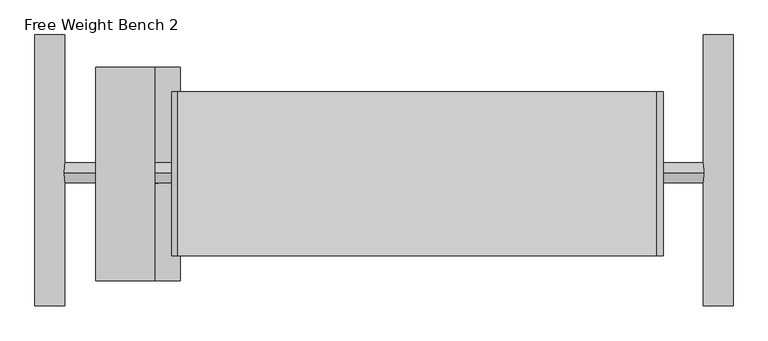
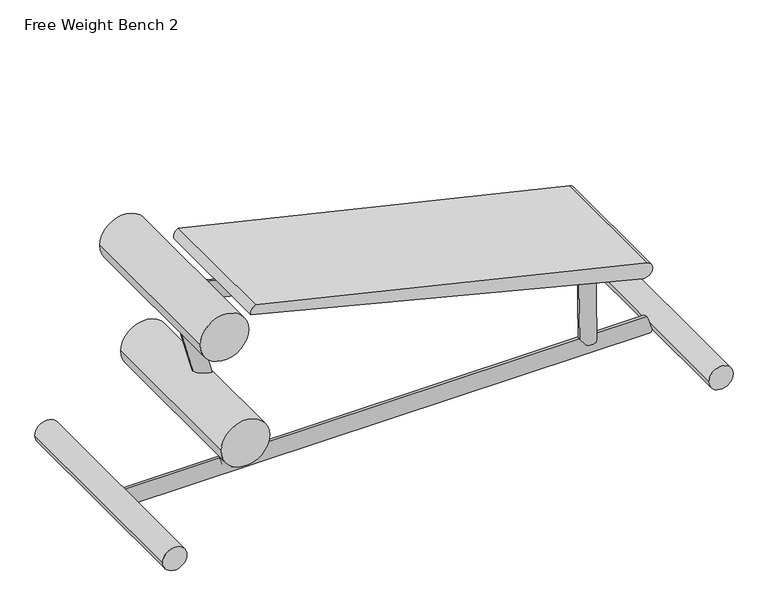
"""IFC4 building model written with IfcOpenShell, lengths in millimetres: proxy geometry, Free Weight Bench 2."""

from ifc_helpers import new_model, si_unit, point, frame, frame_2d, origin, place, context, project, spatial, polyline, circle_curve, trimmed, segment, composite_curve, outline, extrude, source, transform, mapped, element, save


def free_weight_bench_2_a57117fc(model_context):
    return source(origin(), model_context, "Body", "SweptSolid", [
        extrude(outline(composite_curve([segment(trimmed(circle_curve(frame_2d((39.9587999, -29.6018185)), 38.1), [point((39.9587999, 8.4981815))], [point((39.9587999, -67.7018185))], False, "CARTESIAN"), True, "CONTINUOUS"), segment(trimmed(circle_curve(frame_2d((39.9587999, -29.6018185)), 38.1), [point((39.9587999, -67.7018185))], [point((39.9587999, 8.4981815))], False, "CARTESIAN"), True, "CONTINUOUS")], self_intersect=False)), frame((0.0, 725.6892631, 0.0), z_axis=(0.0, 1.0, 0.0), x_axis=(0.0, 0.0, 1.0)), (0.0, 0.0, 1.0), 697.4694157),
        extrude(outline(composite_curve([segment(trimmed(circle_curve(frame_2d((294.7584065, 230.6836497)), 76.2), [point((294.7584065, 154.4836497))], [point((294.7584065, 306.8836497))], False, "CARTESIAN"), True, "CONTINUOUS"), segment(trimmed(circle_curve(frame_2d((294.7584065, 230.6836497)), 76.2), [point((294.7584065, 306.8836497))], [point((294.7584065, 154.4836497))], False, "CARTESIAN"), True, "CONTINUOUS")], self_intersect=False)), frame((0.0, 790.7691009, 0.0), z_axis=(0.0, 1.0, 0.0), x_axis=(0.0, 0.0, 1.0)), (0.0, 0.0, 1.0), 549.0668753),
        extrude(outline(composite_curve([segment(trimmed(circle_curve(frame_2d((0.0, -25.4)), 25.4), [point((0.0, -50.8))], [point((0.0, 0.0))], False, "CARTESIAN"), True, "CONTINUOUS"), segment(trimmed(circle_curve(frame_2d((0.0, -25.4)), 25.4), [point((0.0, 0.0))], [point((0.0, -50.8))], False, "CARTESIAN"), True, "CONTINUOUS")], self_intersect=False)), frame((1493.8991834, 1066.9338344, 37.4165057), z_axis=(-0.014169682950653878, 0.0, 0.9998996050029613), x_axis=(0.0, -1.0, 0.0)), (0.0, 0.0, 1.0), 292.5389249),
        extrude(outline(composite_curve([segment(trimmed(circle_curve(frame_2d((0.0, -25.4)), 25.4), [point((0.0, -50.8))], [point((0.0, 0.0))], False, "CARTESIAN"), True, "CONTINUOUS"), segment(trimmed(circle_curve(frame_2d((0.0, -25.4)), 25.4), [point((0.0, 0.0))], [point((0.0, -50.8))], False, "CARTESIAN"), True, "CONTINUOUS")], self_intersect=False)), frame((1487.9807039, 1068.3206428, 295.8835549), z_axis=(-0.9702957262759946, 0.0, 0.24192189559967517), x_axis=(0.0, 1.0, 0.0)), (0.0, 0.0, 1.0), 1344.4083052),
        extrude(outline(composite_curve([segment(trimmed(circle_curve(frame_2d((0.0, -25.4)), 25.4), [point((0.0, -50.8))], [point((0.0, 0.0))], False, "CARTESIAN"), True, "CONTINUOUS"), segment(trimmed(circle_curve(frame_2d((0.0, -25.4)), 25.4), [point((0.0, 0.0))], [point((0.0, -50.8))], False, "CARTESIAN"), True, "CONTINUOUS")], self_intersect=False)), frame((366.400056, 1066.9338344, 35.2664529), z_axis=(-0.2588190451025147, 0.0, 0.9659258262890699), x_axis=(0.0, -1.0, 0.0)), (0.0, 0.0, 1.0), 667.1397878),
        extrude(outline(composite_curve([segment(trimmed(circle_curve(frame_2d((1068.3206428, 23.8670022)), 25.4), [point((1068.3206428, 49.2670022))], [point((1068.3206428, -1.5329978))], False, "CARTESIAN"), True, "CONTINUOUS"), segment(trimmed(circle_curve(frame_2d((1068.3206428, 23.8670022)), 25.4), [point((1068.3206428, -1.5329978))], [point((1068.3206428, 49.2670022))], False, "CARTESIAN"), True, "CONTINUOUS")], self_intersect=False)), frame((4.9901881, 0.0, 0.0), z_axis=(1.0, 0.0, 0.0), x_axis=(0.0, 1.0, 0.0)), (0.0, 0.0, 1.0), 1652.8416449),
        extrude(outline(composite_curve([segment(trimmed(circle_curve(frame_2d((39.9587999, 1691.9817555)), 38.1), [point((39.9587999, 1653.8817555))], [point((39.9587999, 1730.0817555))], False, "CARTESIAN"), True, "CONTINUOUS"), segment(trimmed(circle_curve(frame_2d((39.9587999, 1691.9817555)), 38.1), [point((39.9587999, 1730.0817555))], [point((39.9587999, 1653.8817555))], False, "CARTESIAN"), True, "CONTINUOUS")], self_intersect=False)), frame((0.0, 725.6892631, 0.0), z_axis=(0.0, 1.0, 0.0), x_axis=(0.0, 0.0, 1.0)), (0.0, 0.0, 1.0), 697.4694157),
        extrude(outline(composite_curve([segment(trimmed(circle_curve(frame_2d((669.9701604, 164.5236941)), 76.2), [point((669.9701604, 88.3236941))], [point((669.9701604, 240.7236941))], False, "CARTESIAN"), True, "CONTINUOUS"), segment(trimmed(circle_curve(frame_2d((669.9701604, 164.5236941)), 76.2), [point((669.9701604, 240.7236941))], [point((669.9701604, 88.3236941))], False, "CARTESIAN"), True, "CONTINUOUS")], self_intersect=False)), frame((0.0, 790.7691009, 0.0), z_axis=(0.0, 1.0, 0.0), x_axis=(0.0, 0.0, 1.0)), (0.0, 0.0, 1.0), 549.0668753),
        extrude(outline(composite_curve([segment(trimmed(circle_curve(frame_2d((376.785859, 1525.2949444)), 25.4318859), [point((351.7294533, 1520.9409401))], [point((400.9113351, 1533.3411996))], False, "CARTESIAN"), True, "CONTINUOUS"), segment(trimmed(circle_curve(frame_2d((-8060.617718, -1112.3300134)), 8865.4977347), [point((400.9113351, 1533.3411996))], [point((691.6927978, 299.7998386))], False, "CARTESIAN"), True, "CONTINUOUS"), segment(trimmed(circle_curve(frame_2d((668.243213, 310.3137788)), 25.6987542), [point((691.6927978, 299.7998386))], [point((663.3253516, 285.0899685))], False, "CARTESIAN"), True, "CONTINUOUS"), segment(polyline([(663.3253516, 285.0899685), (351.7294533, 1520.9409401)]), True, "CONTINUOUS")], self_intersect=False)), frame((0.0, 854.6827453, 0.0), z_axis=(0.0, 1.0, 0.0), x_axis=(0.0, 0.0, 1.0)), (0.0, 0.0, 1.0), 421.5980746),
    ])


if __name__ == "__main__":
    model = new_model("IFC4")
    model_context = context("Model", 3, world=origin())
    ifc_project = project(units=[si_unit("LENGTHUNIT", "METRE", prefix="MILLI")], contexts=[model_context])
    site = spatial("IfcSite", under=ifc_project)
    building = spatial("IfcBuilding", under=site)
    placement = place(None, origin())
    free_weight_bench_2_shape = free_weight_bench_2_a57117fc(model_context)
    element("IfcBuildingElementProxy", 1, Name="Free Weight Bench 2", ObjectType="Free Weight Bench 2", at=placement, inside=building, context=model_context, shape_type="MappedRepresentation", body=[
        mapped(free_weight_bench_2_shape, transform((0.0, 0.0, 0.0), x_axis=(1.0, 0.0, 0.0), y_axis=(0.0, 1.0, 0.0), z_axis=(0.0, 0.0, 1.0))),
    ])
    save(model, "model.ifc")
